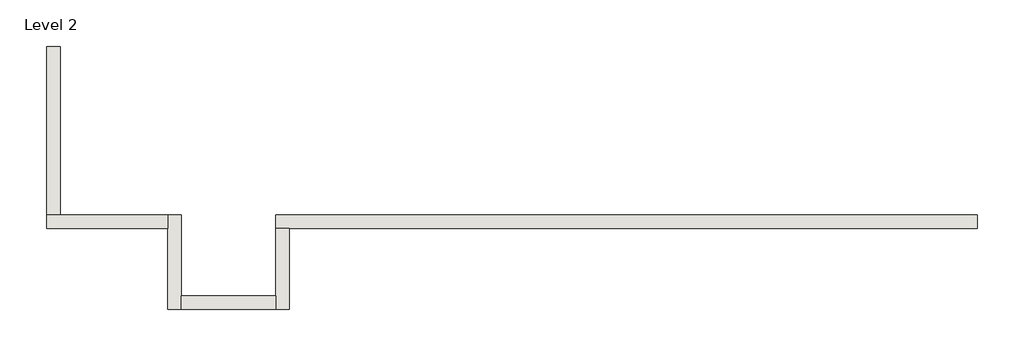
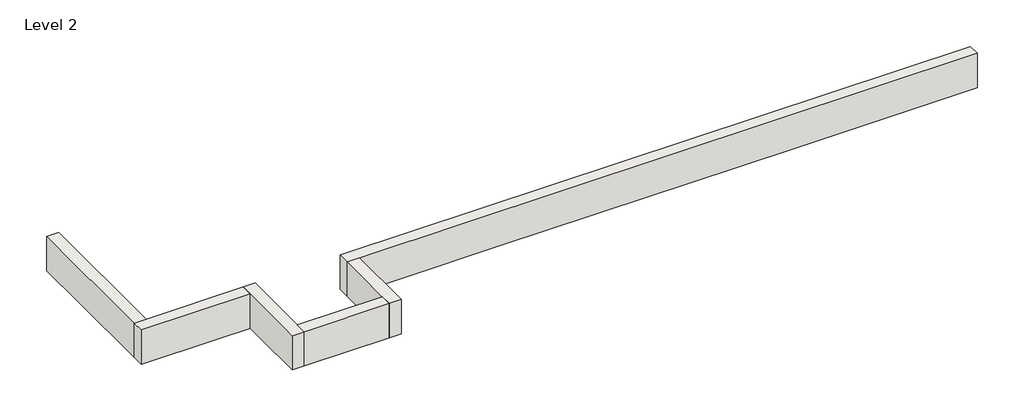
# One storey: 6 walls.
"""IFC4 building model written with IfcOpenShell, lengths in millimetres."""

import ifcopenshell
import ifcopenshell.guid

model = None  # the IFC model being written
_history = None  # IfcOwnerHistory: only IFC2X3 demands one
_inside = {}  # id of a spatial element -> (the spatial element, [elements in it])
_under = {}  # id of a project, library or spatial element -> (it, [spatial elements below it])
_declared = {}  # id of a project -> (the project, [libraries it declares])
_typed = {}  # id of a type object -> (the type object, [elements of that type])
_made_of = {}  # id of a material, layer set ... -> (it, [elements and type objects made of it])


def new_model(schema):
    """Start an empty IFC model of exactly this schema.

    Asked for "IFC4X3", IfcOpenShell would pick the latest addendum, in which some entities
    have other attributes; the version numbers below select the first issue.
    IFC2X3 requires an IfcOwnerHistory on every rooted entity: one is made here for all.
    """
    global model, _history
    if schema == "IFC4X3":
        model = ifcopenshell.file(schema_version=(4, 3, 0, 0))
    else:
        model = ifcopenshell.file(schema=schema)
    _inside.clear()
    _under.clear()
    _declared.clear()
    _typed.clear()
    _made_of.clear()
    _history = None
    if model.schema == "IFC2X3":
        org = make("IfcOrganization", Name="unknown")
        user = make(
            "IfcPersonAndOrganization",
            ThePerson=make("IfcPerson", FamilyName="unknown"),
            TheOrganization=org,
        )
        app = make(
            "IfcApplication",
            ApplicationDeveloper=org,
            Version="unknown",
            ApplicationFullName="unknown",
            ApplicationIdentifier="unknown",
        )
        _history = make(
            "IfcOwnerHistory",
            OwningUser=user,
            OwningApplication=app,
            ChangeAction="ADDED",
            CreationDate=0,
        )
    return model


def make(cls, **values):
    """One entity of the class cls with the attributes given. An attribute that is None is left unset."""
    return model.create_entity(
        cls, **{name: value for name, value in values.items() if value is not None}
    )


def rooted(cls, **values):
    """An entity with a GlobalId (a new one), such as an element, a storey or a relation."""
    return make(cls, GlobalId=ifcopenshell.guid.new(), OwnerHistory=_history, **values)


def si_unit(unit_type, name, prefix=None):
    """IfcSIUnit, for example si_unit("LENGTHUNIT", "METRE", prefix="MILLI")."""
    return make("IfcSIUnit", UnitType=unit_type, Prefix=prefix, Name=name)


def assignment(units):
    """IfcUnitAssignment: the units of a project."""
    return None if units is None else make("IfcUnitAssignment", Units=units)


def point(xyz):
    """IfcCartesianPoint."""
    return None if xyz is None else make("IfcCartesianPoint", Coordinates=xyz)


def direction(xyz):
    """IfcDirection."""
    return None if xyz is None else make("IfcDirection", DirectionRatios=xyz)


def frame(location, z_axis=None, x_axis=None):
    """IfcAxis2Placement3D, a coordinate frame: its origin and axes. An axis left out is left unset."""
    return make(
        "IfcAxis2Placement3D",
        Location=point(location),
        Axis=direction(z_axis),
        RefDirection=direction(x_axis),
    )


def origin():
    """The frame at (0, 0, 0) with its axes left unset."""
    return frame((0.0, 0.0, 0.0))


def place(relative_to, where):
    """IfcLocalPlacement: puts the frame where relative to a parent placement (None: the world)."""
    return make(
        "IfcLocalPlacement", PlacementRelTo=relative_to, RelativePlacement=where
    )


def context(
    kind, dimensions, precision=None, world=None, true_north=None, identifier=None
):
    """IfcGeometricRepresentationContext, for example the 3D "Model" context."""
    return make(
        "IfcGeometricRepresentationContext",
        ContextIdentifier=identifier,
        ContextType=kind,
        CoordinateSpaceDimension=dimensions,
        Precision=precision,
        WorldCoordinateSystem=world,
        TrueNorth=true_north,
    )


def project(units=None, contexts=None):
    """IfcProject with its units and contexts."""
    return rooted(
        "IfcProject",
        Name="project",
        RepresentationContexts=contexts,
        UnitsInContext=assignment(units),
    )


def spatial(cls, under=None, at=None, **own):
    """A site, building, storey or space (cls), placed at a placement, below another one or the project."""
    s = rooted(cls, ObjectPlacement=at, **own)
    if under is not None:
        _under.setdefault(under.id(), (under, []))[1].append(s)
    return s


def polyline(points):
    """IfcPolyline through the points."""
    return make("IfcPolyline", Points=[point(p) for p in points])


def outline(outer, holes=None, kind="AREA"):
    """IfcArbitraryClosedProfileDef: a profile drawn as a closed curve; with holes, ...WithVoids."""
    if holes is None:
        return make("IfcArbitraryClosedProfileDef", ProfileType=kind, OuterCurve=outer)
    return make(
        "IfcArbitraryProfileDefWithVoids",
        ProfileType=kind,
        OuterCurve=outer,
        InnerCurves=holes,
    )


def extrude(swept, where, along, depth):
    """IfcExtrudedAreaSolid: the profile swept, set in the frame where, extruded along a direction by depth."""
    return make(
        "IfcExtrudedAreaSolid",
        SweptArea=swept,
        Position=where,
        ExtrudedDirection=direction(along),
        Depth=depth,
    )


def faces_of(points, faces, orient=None, outer=None):
    """IfcFace entities. A face is a list of loops; a loop is a list of indices into points, from 0.

    orient and outer hold one flag for each loop. By default every Orientation is true, the
    first loop of a face is its IfcFaceOuterBound and the others are IfcFaceBound.
    """
    made = []
    for i, loops in enumerate(faces):
        bounds = []
        for j, loop in enumerate(loops):
            is_outer = j == 0 if outer is None else outer[i][j]
            bounds.append(
                make(
                    "IfcFaceOuterBound" if is_outer else "IfcFaceBound",
                    Bound=make("IfcPolyLoop", Polygon=[points[k] for k in loop]),
                    Orientation=True if orient is None else orient[i][j],
                )
            )
        made.append(make("IfcFace", Bounds=bounds))
    return made


def faceted_brep(points, faces, orient=None, outer=None, voids=None):
    """IfcFacetedBrep: a solid bounded by flat faces; with voids (closed shells), ...WithVoids."""
    shared = [point(p) for p in points]
    hull = make("IfcClosedShell", CfsFaces=faces_of(shared, faces, orient, outer))
    if voids is None:
        return make("IfcFacetedBrep", Outer=hull)
    return make(
        "IfcFacetedBrepWithVoids",
        Outer=hull,
        Voids=[
            make(cls, CfsFaces=faces_of(shared, fs, o, b)) for cls, fs, o, b in voids
        ],
    )


def shape(context_of_items, identifier, shape_type, items):
    """IfcShapeRepresentation: the items that make up one representation, for example the "Body"."""
    return make(
        "IfcShapeRepresentation",
        ContextOfItems=context_of_items,
        RepresentationIdentifier=identifier,
        RepresentationType=shape_type,
        Items=items,
    )


def made_of(thing, what):
    """Note that an element or type object is made of a material, layer set ...; save() writes the relation."""
    if what is not None:
        _made_of.setdefault(what.id(), (what, []))[1].append(thing)
    return thing


def element(
    cls,
    number,
    at=None,
    inside=None,
    cuts=None,
    type_object=None,
    material=None,
    context=None,
    identifier="Body",
    shape_type=None,
    held_by="IfcProductDefinitionShape",
    body=None,
    shapes=None,
    **own,
):
    """One element of the class cls, such as IfcWall. Its Tag is "e" and its number.

    at: its placement. inside: the storey or other place that contains it. cuts: it is an
    opening in that element (IfcRelVoidsElement). A single representation is given by context,
    identifier, shape_type and body (its items); several are given by shapes. held_by: the class
    of the entity that holds the representations. save() writes the other relations.
    """
    e = rooted(cls, Tag="e%d" % number, ObjectPlacement=at, **own)
    if body is not None:
        shapes = [shape(context, identifier, shape_type, body)]
    if shapes is not None:
        e.Representation = make(held_by, Representations=shapes)
    if inside is not None:
        _inside.setdefault(inside.id(), (inside, []))[1].append(e)
    if cuts is not None:
        rooted(
            "IfcRelVoidsElement", RelatingBuildingElement=cuts, RelatedOpeningElement=e
        )
    if type_object is not None:
        _typed.setdefault(type_object.id(), (type_object, []))[1].append(e)
    return made_of(e, material)


def aggregate(whole, parts):
    """IfcRelAggregates: a whole, such as a stair, and the parts it consists of."""
    return rooted("IfcRelAggregates", RelatingObject=whole, RelatedObjects=parts)


def save(model, path):
    """Write the relations noted so far, then the file.

    IfcRelAggregates (storeys below a building ...), IfcRelContainedInSpatialStructure (elements
    in a storey), IfcRelDefinesByType, IfcRelAssociatesMaterial and IfcRelDeclares: one each for
    every whole, place, type object, material and project.
    """
    for whole, parts in _under.values():
        aggregate(whole, parts)
    for where, things in _inside.values():
        rooted(
            "IfcRelContainedInSpatialStructure",
            RelatedElements=things,
            RelatingStructure=where,
        )
    for kind, things in _typed.values():
        rooted("IfcRelDefinesByType", RelatedObjects=things, RelatingType=kind)
    for what, things in _made_of.values():
        rooted("IfcRelAssociatesMaterial", RelatedObjects=things, RelatingMaterial=what)
    for by, libraries in _declared.values():
        rooted("IfcRelDeclares", RelatingContext=by, RelatedDefinitions=libraries)
    model.write(path)


model = new_model("IFC4")

# Units and contexts
model_context = context("Model", 3, world=origin())
ifc_project = project(units=[si_unit("LENGTHUNIT", "METRE", prefix="MILLI")], contexts=[model_context])

# Site, building, storey
site = spatial("IfcSite", under=ifc_project)
building = spatial("IfcBuilding", under=site)
storey = spatial("IfcBuildingStorey", under=building, Name="Level 2", Elevation=3048.0)

# Walls
placement = place(None, origin())
element("IfcWall", 1, ObjectType="Generic - 8\" Brick", at=placement, inside=storey, context=model_context, shape_type="Brep", body=[
    faceted_brep([(12191.957857, 1422.3976187, 3048.0), (11582.357857, 1422.3976187, 3048.0), (9753.557857, 1422.3976187, 3048.0), (9143.957857, 1422.3976187, 3048.0), (7315.157857, 1422.3976187, 3048.0), (6705.557857, 1422.3976187, 3048.0), (4876.757857, 1422.3976187, 3048.0), (4267.157857, 1422.3976187, 3048.0), (2438.357857, 1422.3976187, 3048.0), (1625.5602383, 1422.3976187, 3048.0), (1625.5602383, 1422.3976187, 3657.6), (12191.957857, 1422.3976187, 3657.6), (12191.957857, 1219.1976187, 3048.0), (12191.957857, 1219.1976187, 3657.6), (1828.7602383, 1219.1976187, 3657.6), (1625.5602383, 1219.1976187, 3657.6), (1625.5602383, 1219.1976187, 3048.0), (1828.7602383, 1219.1976187, 3048.0), (2438.357857, 1219.1976187, 3048.0), (4267.157857, 1219.1976187, 3048.0), (4876.757857, 1219.1976187, 3048.0), (6705.557857, 1219.1976187, 3048.0), (7315.157857, 1219.1976187, 3048.0), (9143.957857, 1219.1976187, 3048.0), (9753.557857, 1219.1976187, 3048.0), (11582.357857, 1219.1976187, 3048.0)], [[[0, 1, 2, 3, 4, 5, 6, 7, 8, 9, 10, 11]], [[12, 13, 14, 15, 16, 17, 18, 19, 20, 21, 22, 23, 24, 25]], [[9, 8, 7, 6, 5, 4, 3, 2, 1, 0, 12, 25, 24, 23, 22, 21, 20, 19, 18, 17, 16]], [[11, 10, 15, 14, 13]], [[0, 11, 13, 12]], [[10, 9, 16, 15]]]),
])
element("IfcWall", 2, ObjectType="Generic - 8\" Brick", at=placement, inside=storey, context=model_context, shape_type="Brep", body=[
    faceted_brep([(1625.5602383, 1219.1976187, 3048.0), (1625.5602383, 914.4, 3048.0), (1625.5602383, 203.2, 3048.0), (1625.5602383, 0.0, 3048.0), (1625.5602383, 0.0, 3657.6), (1625.5602383, 203.2, 3657.6), (1625.5602383, 1219.1976187, 3657.6), (1828.7602383, 1219.1976187, 3048.0), (1828.7602383, 1219.1976187, 3657.6), (1828.7602383, 0.0, 3657.6), (1828.7602383, 0.0, 3048.0), (1828.7602383, 914.4, 3048.0)], [[[0, 1, 2, 3, 4, 5, 6]], [[7, 8, 9, 10, 11]], [[3, 2, 1, 0, 7, 11, 10]], [[6, 5, 4, 9, 8]], [[0, 6, 8, 7]], [[4, 3, 10, 9]]]),
])
element("IfcWall", 3, ObjectType="Generic - 8\" Brick", at=placement, inside=storey, context=model_context, shape_type="SweptSolid", body=[
    extrude(outline(polyline([(203.157857, 203.2), (1625.5602383, 203.2), (1625.5602383, 0.0), (203.157857, 0.0), (203.157857, 203.2)])), frame((0.0, 0.0, 3048.0), z_axis=(0.0, 0.0, 1.0), x_axis=(1.0, 0.0, 0.0)), (0.0, 0.0, 1.0), 609.6),
])
element("IfcWall", 4, ObjectType="Generic - 8\" Brick", at=placement, inside=storey, context=model_context, shape_type="Brep", body=[
    faceted_brep([(203.157857, 0.0, 3048.0), (203.157857, 203.2, 3048.0), (203.157857, 914.4, 3048.0), (203.157857, 1219.1976187, 3048.0), (203.157857, 1422.3976187, 3048.0), (203.157857, 1422.3976187, 3657.6), (203.157857, 203.2, 3657.6), (203.157857, 0.0, 3657.6), (-0.042143, 0.0, 3048.0), (-0.042143, 0.0, 3657.6), (-0.042143, 1219.1976187, 3657.6), (-0.042143, 1422.3976187, 3657.6), (-0.042143, 1422.3976187, 3048.0), (-0.042143, 1219.1976187, 3048.0), (-0.042143, 914.4, 3048.0)], [[[0, 1, 2, 3, 4, 5, 6, 7]], [[8, 9, 10, 11, 12, 13, 14]], [[4, 3, 2, 1, 0, 8, 14, 13, 12]], [[7, 6, 5, 11, 10, 9]], [[0, 7, 9, 8]], [[5, 4, 12, 11]]]),
])
element("IfcWall", 5, ObjectType="Generic - 8\" Brick", at=placement, inside=storey, context=model_context, shape_type="Brep", body=[
    faceted_brep([(-0.042143, 1422.3976187, 3048.0), (-609.610393, 1422.3976187, 3048.0), (-1625.610393, 1422.3976187, 3048.0), (-1828.810393, 1422.3976187, 3048.0), (-1828.810393, 1422.3976187, 3657.6), (-1625.610393, 1422.3976187, 3657.6), (-0.042143, 1422.3976187, 3657.6), (-0.042143, 1219.1976187, 3048.0), (-0.042143, 1219.1976187, 3657.6), (-1828.810393, 1219.1976187, 3657.6), (-1828.810393, 1219.1976187, 3048.0), (-609.610393, 1219.1976187, 3048.0)], [[[0, 1, 2, 3, 4, 5, 6]], [[7, 8, 9, 10, 11]], [[3, 2, 1, 0, 7, 11, 10]], [[6, 5, 4, 9, 8]], [[0, 6, 8, 7]], [[4, 3, 10, 9]]]),
])
element("IfcWall", 6, ObjectType="Generic - 8\" Brick", at=placement, inside=storey, context=model_context, shape_type="Brep", body=[
    faceted_brep([(-1625.610393, 1422.3976187, 3048.0), (-1625.610393, 3047.96825, 3048.0), (-1625.610393, 3962.36825, 3048.0), (-1625.610393, 3962.36825, 3657.6), (-1625.610393, 1422.3976187, 3657.6), (-1828.810393, 1422.3976187, 3048.0), (-1828.810393, 1422.3976187, 3657.6), (-1828.810393, 3962.36825, 3657.6), (-1828.810393, 3962.36825, 3048.0), (-1828.810393, 3047.96825, 3048.0)], [[[0, 1, 2, 3, 4]], [[5, 6, 7, 8, 9]], [[2, 1, 0, 5, 9, 8]], [[3, 2, 8, 7]], [[4, 3, 7, 6]], [[0, 4, 6, 5]]]),
])

save(model, "model.ifc")
